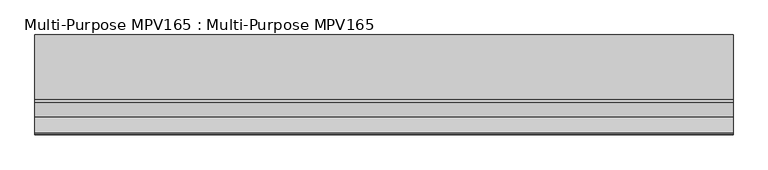
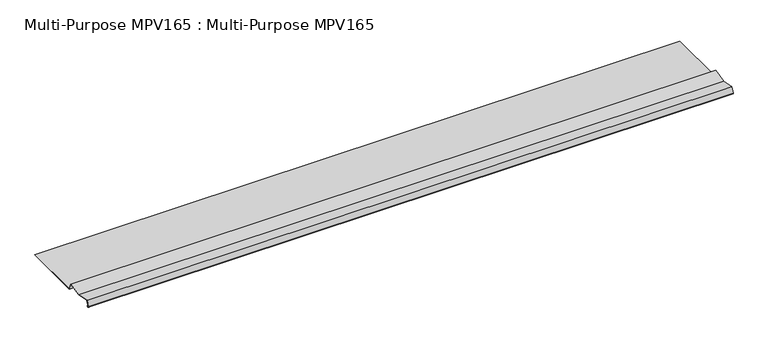
"""IFC4 building model written with IfcOpenShell, lengths in millimetres: proxy geometry, Multi-Purpose MPV165 : Multi-Purpose MPV165."""

from ifc_helpers import new_model, si_unit, point, frame, frame_2d, origin, place, context, project, spatial, polyline, circle_curve, trimmed, segment, composite_curve, outline, extrude, source, transform, mapped, element, save


def multi_purpose_mpv165_multi_purpose_mpv165_8e4853a2(model_context):
    return source(origin(), model_context, "Body", "SweptSolid", [
        extrude(outline(composite_curve([segment(polyline([(-244.8295134, 138.2972687), (-245.363828, 137.6847723), (-246.2449325, 138.4534088)]), True, "CONTINUOUS"), segment(trimmed(circle_curve(frame_2d((-247.54315, 136.9652341)), 1.97485), [point((-246.2449325, 138.4534088))], [point((-248.6329052, 138.6121908))], True, "CARTESIAN"), True, "CONTINUOUS"), segment(polyline([(-248.6329052, 138.6121908), (-251.4361365, 136.7573539)]), True, "CONTINUOUS"), segment(trimmed(circle_curve(frame_2d((-252.75015, 138.7432341)), 2.38125), [point((-251.4361365, 136.7573539))], [point((-254.987793, 139.5576696))], False, "CARTESIAN"), True, "CONTINUOUS"), segment(polyline([(-254.987793, 139.5576696), (-244.8907075, 167.2991841), (-178.2157075, 154.338877), (-111.5407075, 167.2991841), (-100.2804876, 136.3619841), (181.7486, 136.3619841), (181.7486, 135.5491841), (-100.8496163, 135.5491841), (-112.0670604, 166.3688585), (-178.2157075, 153.5108641), (-244.3643546, 166.3688585), (-254.2240109, 139.2796756)]), True, "CONTINUOUS"), segment(trimmed(circle_curve(frame_2d((-252.75015, 138.7432341)), 1.56845), [point((-254.2240109, 139.2796756))], [point((-251.8846531, 137.435201))], True, "CARTESIAN"), True, "CONTINUOUS"), segment(polyline([(-251.8846531, 137.435201), (-249.0814218, 139.2900379)]), True, "CONTINUOUS"), segment(trimmed(circle_curve(frame_2d((-247.54315, 136.9652341)), 2.78765), [point((-249.0814218, 139.2900379))], [point((-245.7106179, 139.0659051))], False, "CARTESIAN"), True, "CONTINUOUS"), segment(polyline([(-245.7106179, 139.0659051), (-244.8295134, 138.2972687)]), True, "CONTINUOUS")], self_intersect=False)), frame((-1102.2989423, 0.0, 0.0), z_axis=(1.0, 0.0, 0.0), x_axis=(0.0, 1.0, 0.0)), (0.0, 0.0, 1.0), 3048.0),
    ])


if __name__ == "__main__":
    model = new_model("IFC4")
    model_context = context("Model", 3, world=origin())
    ifc_project = project(units=[si_unit("LENGTHUNIT", "METRE", prefix="MILLI")], contexts=[model_context])
    site = spatial("IfcSite", under=ifc_project)
    building = spatial("IfcBuilding", under=site)
    placement = place(None, origin())
    multi_purpose_mpv165_multi_purpose_mpv165_shape = multi_purpose_mpv165_multi_purpose_mpv165_8e4853a2(model_context)
    element("IfcBuildingElementProxy", 1, Name="Multi-Purpose MPV165 : Multi-Purpose MPV165", ObjectType="Multi-Purpose MPV165 : Multi-Purpose MPV165", at=placement, inside=building, context=model_context, shape_type="MappedRepresentation", body=[
        mapped(multi_purpose_mpv165_multi_purpose_mpv165_shape, transform((0.0, 0.0, 0.0), x_axis=(1.0, 0.0, 0.0), y_axis=(0.0, 1.0, 0.0), z_axis=(0.0, 0.0, 1.0))),
    ])
    save(model, "model.ifc")
